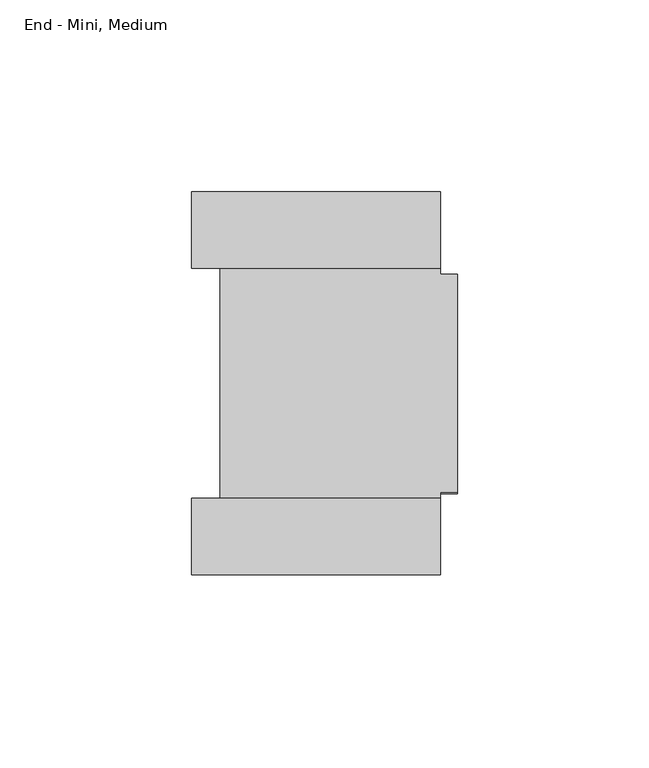
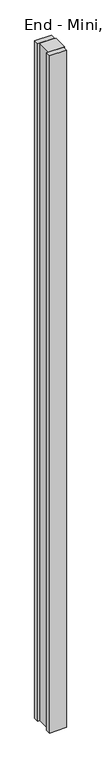
"""IFC4 building model written with IfcOpenShell, lengths in millimetres: furniture geometry, End - Mini, Medium."""

from ifc_helpers import new_model, si_unit, origin, origin_with_axes, place, context, project, spatial, polyline, outline, extrude, faceted_brep, source, transform, mapped, element, save


def end_mini_medium_9531f005(model_context):
    return source(origin(), model_context, "Body", "SolidModel", [
        extrude(outline(polyline([(-69.4944, -2236.0001), (-4.4958, -2236.0001), (-4.4958, -2255.9899), (-69.4944, -2255.9899), (-69.4944, -2236.0001)])), origin_with_axes(), (0.0, 0.0, 1.0), 2743.2),
        extrude(outline(polyline([(-4.4958, -2335.9999), (-69.4944, -2335.9999), (-69.4944, -2316.0101), (-4.4958, -2316.0101), (-4.4958, -2335.9999)])), origin_with_axes(), (0.0, 0.0, 1.0), 2743.2),
        faceted_brep([(-4.4958, -2255.9899, 2743.2), (-61.976, -2255.9899, 2743.2), (-61.976, -2316.0101, 2743.2), (-4.4958, -2316.0101, 2743.2), (-4.4958, -2314.448, 2743.2), (0.0, -2314.448, 2743.2), (0.0, -2257.552, 2743.2), (-4.4958, -2257.552, 2743.2), (-4.4958, -2316.0101, 0.0), (-61.976, -2316.0101, 0.0), (-61.976, -2255.9899, 0.0), (-4.4958, -2255.9899, 0.0), (-4.4958, -2257.552, 0.0), (0.0, -2257.552, 0.0), (0.0, -2314.448, 0.0), (-4.4958, -2314.448, 0.0), (-4.4958, -2257.552, 2688.082), (-4.4958, -2260.854, 2688.082), (-4.4958, -2260.854, 55.118), (-4.4958, -2257.552, 55.118), (-4.4958, -2314.448, 55.118), (-4.4958, -2311.146, 55.118), (-4.4958, -2311.146, 2688.082), (-4.4958, -2314.448, 2688.082), (0.0, -2260.854, 55.118), (0.0, -2260.854, 2688.082), (0.0, -2257.552, 2688.082), (0.0, -2314.448, 2688.082), (0.0, -2311.146, 2688.082), (0.0, -2311.146, 55.118), (0.0, -2314.448, 55.118), (0.0, -2257.552, 55.118)], [[[0, 1, 2, 3, 4, 5, 6, 7]], [[8, 9, 10, 11, 12, 13, 14, 15]], [[1, 0, 11, 10]], [[2, 1, 10, 9]], [[3, 2, 9, 8]], [[11, 0, 7, 16, 17, 18, 19, 12]], [[3, 8, 15, 20, 21, 22, 23, 4]], [[24, 25, 26, 6, 5, 27, 28, 29, 30, 14, 13, 31]], [[25, 24, 18, 17]], [[26, 25, 17, 16]], [[6, 26, 16, 7]], [[27, 5, 4, 23]], [[28, 27, 23, 22]], [[29, 28, 22, 21]], [[30, 29, 21, 20]], [[14, 30, 20, 15]], [[31, 13, 12, 19]], [[24, 31, 19, 18]]]),
    ])


if __name__ == "__main__":
    model = new_model("IFC4")
    model_context = context("Model", 3, world=origin())
    ifc_project = project(units=[si_unit("LENGTHUNIT", "METRE", prefix="MILLI")], contexts=[model_context])
    site = spatial("IfcSite", under=ifc_project)
    building = spatial("IfcBuilding", under=site)
    placement = place(None, origin())
    end_mini_medium_shape = end_mini_medium_9531f005(model_context)
    element("IfcFurniture", 1, ObjectType="End - Mini, Medium", at=placement, inside=building, context=model_context, shape_type="MappedRepresentation", body=[
        mapped(end_mini_medium_shape, transform((0.0, 0.0, 0.0), x_axis=(1.0, 0.0, 0.0), y_axis=(0.0, 1.0, 0.0), z_axis=(0.0, 0.0, 1.0))),
    ])
    save(model, "model.ifc")
